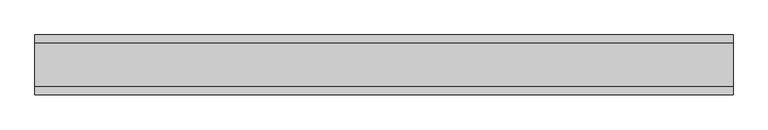
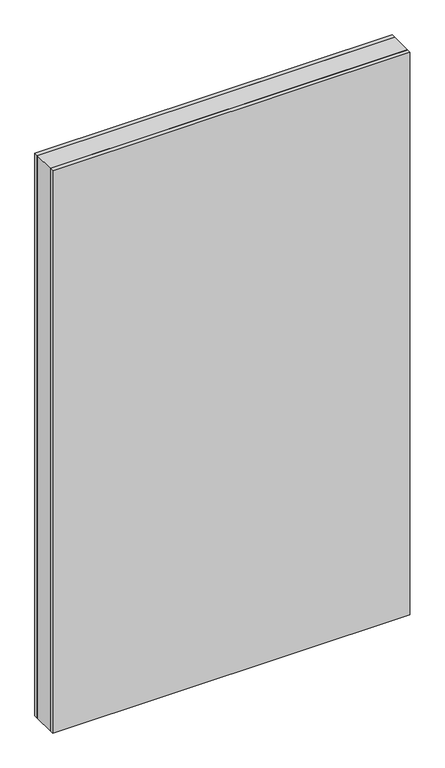
"""IFC4 building model written with IfcOpenShell, lengths in millimetres: plate geometry."""

from ifc_helpers import new_model, si_unit, origin, origin_with_axes, place, context, project, spatial, polyline, outline, extrude, source, transform, mapped, element, save


def plate_9946a285(model_context):
    return source(origin(), model_context, "Body", "SweptSolid", [
        extrude(outline(polyline([(583.9500002, 36.0), (583.9500002, -36.0), (-583.9500002, -36.0), (-583.9500002, 36.0), (583.9500002, 36.0)])), origin_with_axes(), (0.0, 0.0, 1.0), 1943.6971514),
        extrude(outline(polyline([(583.9500002, 50.0), (583.9500002, 36.0), (-583.9500002, 36.0), (-583.9500002, 50.0), (583.9500002, 50.0)])), origin_with_axes(), (0.0, 0.0, 1.0), 1943.6971514),
        extrude(outline(polyline([(583.9500002, -36.0), (583.9500002, -50.0), (-583.9500002, -50.0), (-583.9500002, -36.0), (583.9500002, -36.0)])), origin_with_axes(), (0.0, 0.0, 1.0), 1943.6971514),
    ])


if __name__ == "__main__":
    model = new_model("IFC4")
    model_context = context("Model", 3, world=origin())
    ifc_project = project(units=[si_unit("LENGTHUNIT", "METRE", prefix="MILLI")], contexts=[model_context])
    site = spatial("IfcSite", under=ifc_project)
    building = spatial("IfcBuilding", under=site)
    placement = place(None, origin())
    plate_shape = plate_9946a285(model_context)
    element("IfcPlate", 1, at=placement, inside=building, context=model_context, shape_type="MappedRepresentation", body=[
        mapped(plate_shape, transform((0.0, 0.0, 0.0), x_axis=(1.0, 0.0, 0.0), y_axis=(0.0, 1.0, 0.0), z_axis=(0.0, 0.0, 1.0))),
    ])
    save(model, "model.ifc")
